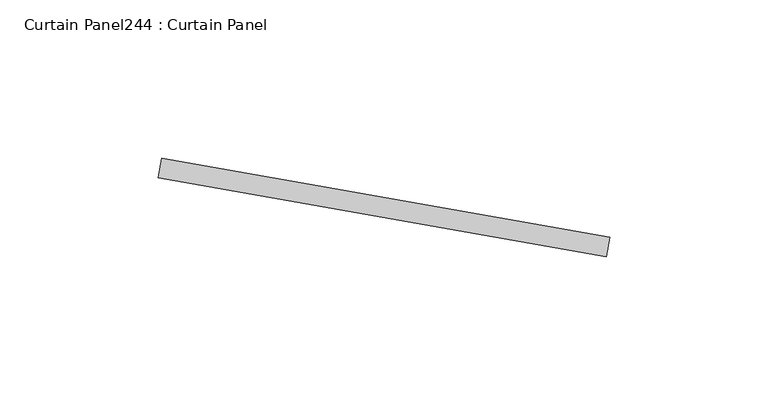
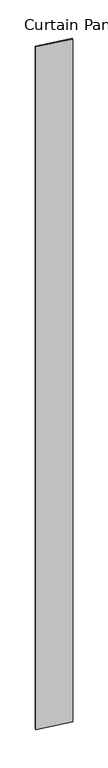
"""IFC4 building model written with IfcOpenShell, lengths in millimetres: plate geometry, Curtain Panel244 : Curtain Panel."""

from ifc_helpers import new_model, si_unit, frame, origin, place, context, project, spatial, polyline, outline, extrude, source, transform, mapped, element, save


def curtain_panel244_curtain_panel_a8cd476f(model_context):
    return source(origin(), model_context, "Body", "SweptSolid", [
        extrude(outline(polyline([(650579.8219555, 2082.7503303), (650438.0526598, 2107.7480822), (650439.1553257, 2114.0016114), (650580.9246215, 2089.0038596), (650579.8219555, 2082.7503303)])), frame((0.0, 0.0, 4959.7989371), z_axis=(0.0, 0.0, 1.0), x_axis=(1.0, 0.0, 0.0)), (0.0, 0.0, 1.0), 3048.0),
    ])


if __name__ == "__main__":
    model = new_model("IFC4")
    model_context = context("Model", 3, world=origin())
    ifc_project = project(units=[si_unit("LENGTHUNIT", "METRE", prefix="MILLI")], contexts=[model_context])
    site = spatial("IfcSite", under=ifc_project)
    building = spatial("IfcBuilding", under=site)
    placement = place(None, origin())
    curtain_panel244_curtain_panel_shape = curtain_panel244_curtain_panel_a8cd476f(model_context)
    element("IfcPlate", 1, ObjectType="Curtain Panel244 : Curtain Panel", at=placement, inside=building, context=model_context, shape_type="MappedRepresentation", body=[
        mapped(curtain_panel244_curtain_panel_shape, transform((0.0, 0.0, 0.0), x_axis=(1.0, 0.0, 0.0), y_axis=(0.0, 1.0, 0.0), z_axis=(0.0, 0.0, 1.0))),
    ])
    save(model, "model.ifc")
